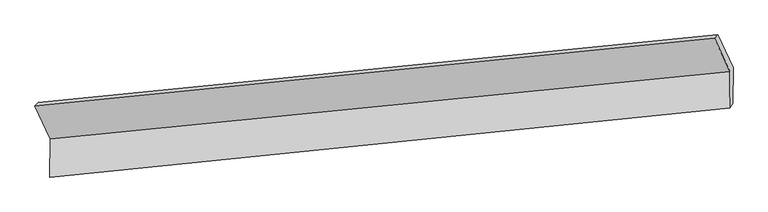
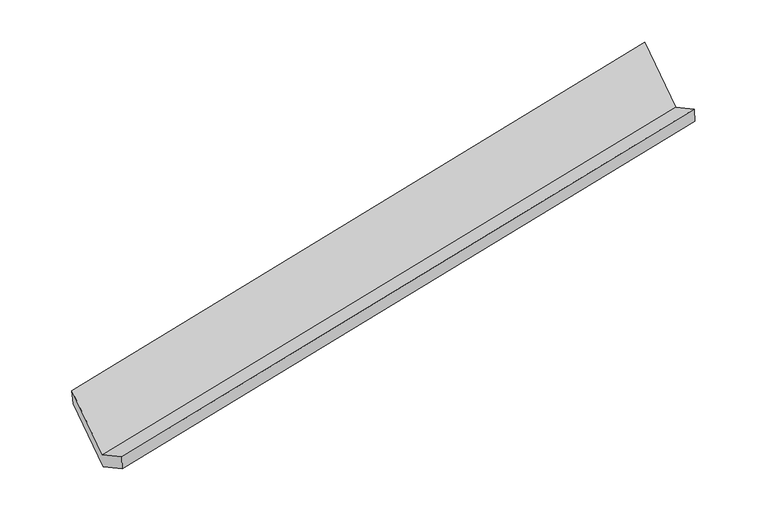
"""IFC4 building model written with IfcOpenShell, lengths in millimetres: proxy geometry."""

from ifc_helpers import new_model, si_unit, origin, place, context, project, spatial, faceted_brep, source, transform, mapped, element, save


def generic_models_d74cb747(model_context):
    return source(origin(), model_context, "Body", "Brep", [
        faceted_brep([(-6200.2824936, -1520.0859883, 1707.3966138), (-6056.1268175, -1833.3898841, 1129.9547595), (402.6997617, -1192.1711719, 2382.8155831), (256.4007983, -874.2091157, 2968.8427655), (-6059.4012497, -2195.2103586, 1325.4510427), (399.5845645, -1536.3963988, 2568.8049264), (-6029.9359474, -2151.4331113, 1154.1245994), (429.0498667, -1492.6191516, 2397.4784831), (-6026.6992768, -1793.7852406, 960.882828), (432.1273024, -1152.5665285, 2213.7436516), (-6168.1654814, -1486.3265668, 1527.5515134), (288.5178106, -840.4496942, 2788.9976651)], [[[0, 1, 2, 3]], [[1, 4, 5, 2]], [[4, 6, 7, 5]], [[6, 8, 9, 7]], [[8, 10, 11, 9]], [[10, 0, 3, 11]], [[9, 11, 3, 2, 5, 7]], [[0, 10, 8, 6, 4, 1]]]),
    ])


if __name__ == "__main__":
    model = new_model("IFC4")
    model_context = context("Model", 3, world=origin())
    ifc_project = project(units=[si_unit("LENGTHUNIT", "METRE", prefix="MILLI")], contexts=[model_context])
    site = spatial("IfcSite", under=ifc_project)
    building = spatial("IfcBuilding", under=site)
    placement = place(None, origin())
    generic_models_shape = generic_models_d74cb747(model_context)
    element("IfcBuildingElementProxy", 1, Name="Generic Models", at=placement, inside=building, context=model_context, shape_type="MappedRepresentation", body=[
        mapped(generic_models_shape, transform((0.0, 0.0, 0.0), x_axis=(1.0, 0.0, 0.0), y_axis=(0.0, 1.0, 0.0), z_axis=(0.0, 0.0, 1.0))),
    ])
    save(model, "model.ifc")
